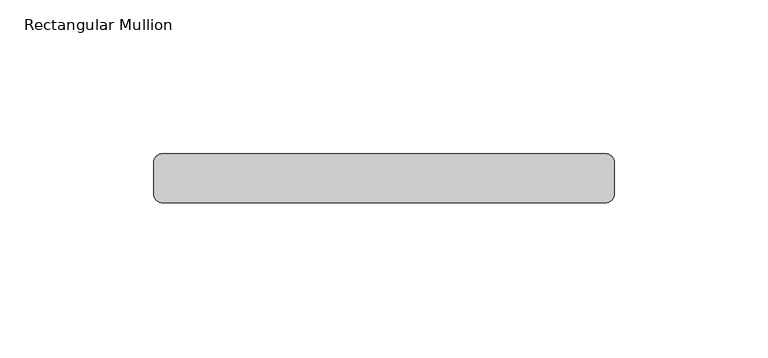
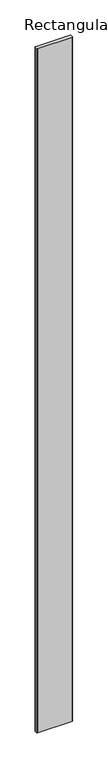
"""IFC4 building model written with IfcOpenShell, lengths in millimetres: member geometry, Rectangular Mullion."""

import ifcopenshell
import ifcopenshell.guid

model = None  # the IFC model being written
_history = None  # IfcOwnerHistory: only IFC2X3 demands one
_inside = {}  # id of a spatial element -> (the spatial element, [elements in it])
_under = {}  # id of a project, library or spatial element -> (it, [spatial elements below it])
_declared = {}  # id of a project -> (the project, [libraries it declares])
_typed = {}  # id of a type object -> (the type object, [elements of that type])
_made_of = {}  # id of a material, layer set ... -> (it, [elements and type objects made of it])


def new_model(schema):
    """Start an empty IFC model of exactly this schema.

    Asked for "IFC4X3", IfcOpenShell would pick the latest addendum, in which some entities
    have other attributes; the version numbers below select the first issue.
    IFC2X3 requires an IfcOwnerHistory on every rooted entity: one is made here for all.
    """
    global model, _history
    if schema == "IFC4X3":
        model = ifcopenshell.file(schema_version=(4, 3, 0, 0))
    else:
        model = ifcopenshell.file(schema=schema)
    _inside.clear()
    _under.clear()
    _declared.clear()
    _typed.clear()
    _made_of.clear()
    _history = None
    if model.schema == "IFC2X3":
        org = make("IfcOrganization", Name="unknown")
        user = make(
            "IfcPersonAndOrganization",
            ThePerson=make("IfcPerson", FamilyName="unknown"),
            TheOrganization=org,
        )
        app = make(
            "IfcApplication",
            ApplicationDeveloper=org,
            Version="unknown",
            ApplicationFullName="unknown",
            ApplicationIdentifier="unknown",
        )
        _history = make(
            "IfcOwnerHistory",
            OwningUser=user,
            OwningApplication=app,
            ChangeAction="ADDED",
            CreationDate=0,
        )
    return model


def make(cls, **values):
    """One entity of the class cls with the attributes given. An attribute that is None is left unset."""
    return model.create_entity(
        cls, **{name: value for name, value in values.items() if value is not None}
    )


def rooted(cls, **values):
    """An entity with a GlobalId (a new one), such as an element, a storey or a relation."""
    return make(cls, GlobalId=ifcopenshell.guid.new(), OwnerHistory=_history, **values)


def si_unit(unit_type, name, prefix=None):
    """IfcSIUnit, for example si_unit("LENGTHUNIT", "METRE", prefix="MILLI")."""
    return make("IfcSIUnit", UnitType=unit_type, Prefix=prefix, Name=name)


def assignment(units):
    """IfcUnitAssignment: the units of a project."""
    return None if units is None else make("IfcUnitAssignment", Units=units)


def point(xyz):
    """IfcCartesianPoint."""
    return None if xyz is None else make("IfcCartesianPoint", Coordinates=xyz)


def direction(xyz):
    """IfcDirection."""
    return None if xyz is None else make("IfcDirection", DirectionRatios=xyz)


def frame(location, z_axis=None, x_axis=None):
    """IfcAxis2Placement3D, a coordinate frame: its origin and axes. An axis left out is left unset."""
    return make(
        "IfcAxis2Placement3D",
        Location=point(location),
        Axis=direction(z_axis),
        RefDirection=direction(x_axis),
    )


def frame_2d(location, x_axis=None):
    """IfcAxis2Placement2D, a coordinate frame in the plane: its origin and x axis."""
    return make(
        "IfcAxis2Placement2D", Location=point(location), RefDirection=direction(x_axis)
    )


def origin():
    """The frame at (0, 0, 0) with its axes left unset."""
    return frame((0.0, 0.0, 0.0))


def place(relative_to, where):
    """IfcLocalPlacement: puts the frame where relative to a parent placement (None: the world)."""
    return make(
        "IfcLocalPlacement", PlacementRelTo=relative_to, RelativePlacement=where
    )


def context(
    kind, dimensions, precision=None, world=None, true_north=None, identifier=None
):
    """IfcGeometricRepresentationContext, for example the 3D "Model" context."""
    return make(
        "IfcGeometricRepresentationContext",
        ContextIdentifier=identifier,
        ContextType=kind,
        CoordinateSpaceDimension=dimensions,
        Precision=precision,
        WorldCoordinateSystem=world,
        TrueNorth=true_north,
    )


def project(units=None, contexts=None):
    """IfcProject with its units and contexts."""
    return rooted(
        "IfcProject",
        Name="project",
        RepresentationContexts=contexts,
        UnitsInContext=assignment(units),
    )


def spatial(cls, under=None, at=None, **own):
    """A site, building, storey or space (cls), placed at a placement, below another one or the project."""
    s = rooted(cls, ObjectPlacement=at, **own)
    if under is not None:
        _under.setdefault(under.id(), (under, []))[1].append(s)
    return s


def polyline(points):
    """IfcPolyline through the points."""
    return make("IfcPolyline", Points=[point(p) for p in points])


def circle_curve(where, radius):
    """IfcCircle in the frame where."""
    return make("IfcCircle", Position=where, Radius=radius)


def trimmed(basis, trim1, trim2, sense, master):
    """IfcTrimmedCurve: the piece of a basis curve between two trims."""
    return make(
        "IfcTrimmedCurve",
        BasisCurve=basis,
        Trim1=trim1,
        Trim2=trim2,
        SenseAgreement=sense,
        MasterRepresentation=master,
    )


def segment(curve, same_sense, transition):
    """IfcCompositeCurveSegment."""
    return make(
        "IfcCompositeCurveSegment",
        Transition=transition,
        SameSense=same_sense,
        ParentCurve=curve,
    )


def composite_curve(segments, self_intersect=None):
    """IfcCompositeCurve: segments joined end to end."""
    return make("IfcCompositeCurve", Segments=segments, SelfIntersect=self_intersect)


def outline(outer, holes=None, kind="AREA"):
    """IfcArbitraryClosedProfileDef: a profile drawn as a closed curve; with holes, ...WithVoids."""
    if holes is None:
        return make("IfcArbitraryClosedProfileDef", ProfileType=kind, OuterCurve=outer)
    return make(
        "IfcArbitraryProfileDefWithVoids",
        ProfileType=kind,
        OuterCurve=outer,
        InnerCurves=holes,
    )


def extrude(swept, where, along, depth):
    """IfcExtrudedAreaSolid: the profile swept, set in the frame where, extruded along a direction by depth."""
    return make(
        "IfcExtrudedAreaSolid",
        SweptArea=swept,
        Position=where,
        ExtrudedDirection=direction(along),
        Depth=depth,
    )


def shape(context_of_items, identifier, shape_type, items):
    """IfcShapeRepresentation: the items that make up one representation, for example the "Body"."""
    return make(
        "IfcShapeRepresentation",
        ContextOfItems=context_of_items,
        RepresentationIdentifier=identifier,
        RepresentationType=shape_type,
        Items=items,
    )


def source(mapping_origin, context_of_items, identifier, shape_type, items):
    """IfcRepresentationMap: a shape defined once, which mapped items show again and again."""
    return make(
        "IfcRepresentationMap",
        MappingOrigin=mapping_origin,
        MappedRepresentation=shape(context_of_items, identifier, shape_type, items),
    )


def transform(
    local_origin,
    x_axis=None,
    y_axis=None,
    z_axis=None,
    scale=None,
    scale2=None,
    scale3=None,
    uniform=True,
):
    """IfcCartesianTransformationOperator3D, or its non-uniform kind. x_axis, y_axis, z_axis: its Axis1, 2, 3."""
    if uniform:
        return make(
            "IfcCartesianTransformationOperator3D",
            Axis1=direction(x_axis),
            Axis2=direction(y_axis),
            LocalOrigin=point(local_origin),
            Scale=scale,
            Axis3=direction(z_axis),
        )
    return make(
        "IfcCartesianTransformationOperator3DnonUniform",
        Axis1=direction(x_axis),
        Axis2=direction(y_axis),
        LocalOrigin=point(local_origin),
        Scale=scale,
        Axis3=direction(z_axis),
        Scale2=scale2,
        Scale3=scale3,
    )


def mapped(mapping_source, mapping_target):
    """IfcMappedItem: shows the shape of a source again, moved by a transform."""
    return make(
        "IfcMappedItem", MappingSource=mapping_source, MappingTarget=mapping_target
    )


def made_of(thing, what):
    """Note that an element or type object is made of a material, layer set ...; save() writes the relation."""
    if what is not None:
        _made_of.setdefault(what.id(), (what, []))[1].append(thing)
    return thing


def element(
    cls,
    number,
    at=None,
    inside=None,
    cuts=None,
    type_object=None,
    material=None,
    context=None,
    identifier="Body",
    shape_type=None,
    held_by="IfcProductDefinitionShape",
    body=None,
    shapes=None,
    **own,
):
    """One element of the class cls, such as IfcWall. Its Tag is "e" and its number.

    at: its placement. inside: the storey or other place that contains it. cuts: it is an
    opening in that element (IfcRelVoidsElement). A single representation is given by context,
    identifier, shape_type and body (its items); several are given by shapes. held_by: the class
    of the entity that holds the representations. save() writes the other relations.
    """
    e = rooted(cls, Tag="e%d" % number, ObjectPlacement=at, **own)
    if body is not None:
        shapes = [shape(context, identifier, shape_type, body)]
    if shapes is not None:
        e.Representation = make(held_by, Representations=shapes)
    if inside is not None:
        _inside.setdefault(inside.id(), (inside, []))[1].append(e)
    if cuts is not None:
        rooted(
            "IfcRelVoidsElement", RelatingBuildingElement=cuts, RelatedOpeningElement=e
        )
    if type_object is not None:
        _typed.setdefault(type_object.id(), (type_object, []))[1].append(e)
    return made_of(e, material)


def aggregate(whole, parts):
    """IfcRelAggregates: a whole, such as a stair, and the parts it consists of."""
    return rooted("IfcRelAggregates", RelatingObject=whole, RelatedObjects=parts)


def save(model, path):
    """Write the relations noted so far, then the file.

    IfcRelAggregates (storeys below a building ...), IfcRelContainedInSpatialStructure (elements
    in a storey), IfcRelDefinesByType, IfcRelAssociatesMaterial and IfcRelDeclares: one each for
    every whole, place, type object, material and project.
    """
    for whole, parts in _under.values():
        aggregate(whole, parts)
    for where, things in _inside.values():
        rooted(
            "IfcRelContainedInSpatialStructure",
            RelatedElements=things,
            RelatingStructure=where,
        )
    for kind, things in _typed.values():
        rooted("IfcRelDefinesByType", RelatedObjects=things, RelatingType=kind)
    for what, things in _made_of.values():
        rooted("IfcRelAssociatesMaterial", RelatedObjects=things, RelatingMaterial=what)
    for by, libraries in _declared.values():
        rooted("IfcRelDeclares", RelatingContext=by, RelatedDefinitions=libraries)
    model.write(path)


def rectangular_mullion_038445d0(model_context):
    return source(origin(), model_context, "Body", "SweptSolid", [
        extrude(outline(composite_curve([segment(polyline([(72.0, -16.0), (-72.0, -16.0)]), True, "CONTINUOUS"), segment(trimmed(circle_curve(frame_2d((-72.0, -13.0)), 3.0), [point((-72.0, -16.0))], [point((-75.0, -13.0))], False, "CARTESIAN"), True, "CONTINUOUS"), segment(polyline([(-75.0, -13.0), (-75.0, -3.0)]), True, "CONTINUOUS"), segment(trimmed(circle_curve(frame_2d((-72.0, -3.0)), 3.0), [point((-75.0, -3.0))], [point((-72.0, 0.0))], False, "CARTESIAN"), True, "CONTINUOUS"), segment(polyline([(-72.0, 0.0), (72.0, 0.0)]), True, "CONTINUOUS"), segment(trimmed(circle_curve(frame_2d((72.0, -3.0)), 3.0), [point((72.0, 0.0))], [point((75.0, -3.0))], False, "CARTESIAN"), True, "CONTINUOUS"), segment(polyline([(75.0, -3.0), (75.0, -13.0)]), True, "CONTINUOUS"), segment(trimmed(circle_curve(frame_2d((72.0, -13.0)), 3.0), [point((75.0, -13.0))], [point((72.0, -16.0))], False, "CARTESIAN"), True, "CONTINUOUS")], self_intersect=False)), frame((0.0, 0.0, -3000.0), z_axis=(0.0, 0.0, 1.0), x_axis=(1.0, 0.0, 0.0)), (0.0, 0.0, 1.0), 3000.0),
    ])


if __name__ == "__main__":
    model = new_model("IFC4")
    model_context = context("Model", 3, world=origin())
    ifc_project = project(units=[si_unit("LENGTHUNIT", "METRE", prefix="MILLI")], contexts=[model_context])
    site = spatial("IfcSite", under=ifc_project)
    building = spatial("IfcBuilding", under=site)
    placement = place(None, origin())
    rectangular_mullion_shape = rectangular_mullion_038445d0(model_context)
    element("IfcMember", 1, ObjectType="Rectangular Mullion", at=placement, inside=building, context=model_context, shape_type="MappedRepresentation", body=[
        mapped(rectangular_mullion_shape, transform((0.0, 0.0, 0.0), x_axis=(1.0, 0.0, 0.0), y_axis=(0.0, 1.0, 0.0), z_axis=(0.0, 0.0, 1.0))),
    ])
    save(model, "model.ifc")
